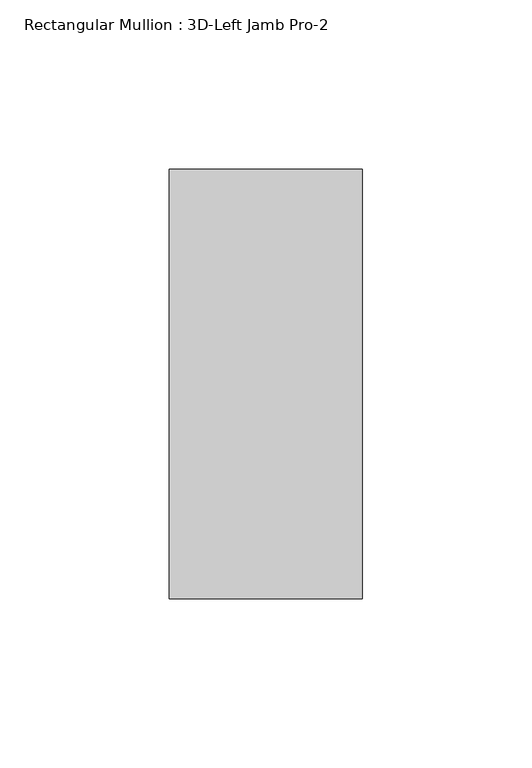
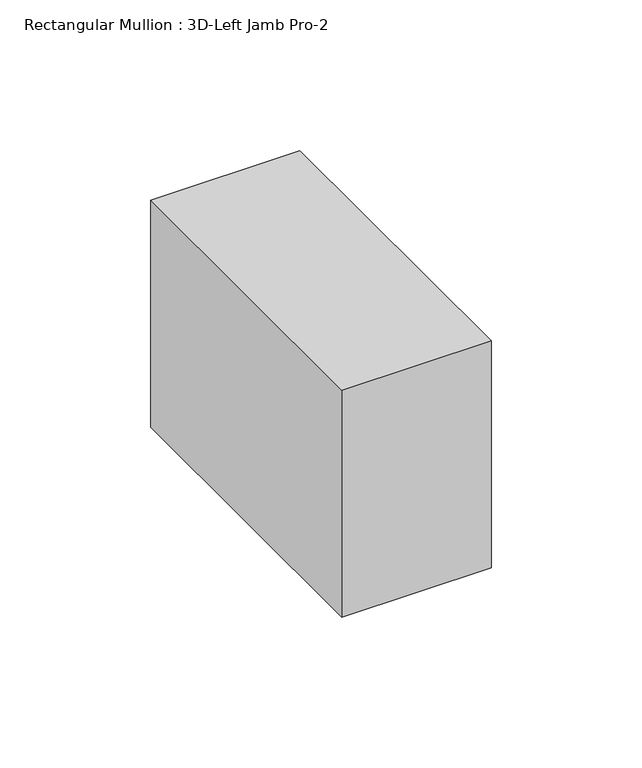
"""IFC4 building model written with IfcOpenShell, lengths in millimetres: member geometry, Rectangular Mullion : 3D-Left Jamb Pro-2."""

import ifcopenshell
import ifcopenshell.guid

model = None  # the IFC model being written
_history = None  # IfcOwnerHistory: only IFC2X3 demands one
_inside = {}  # id of a spatial element -> (the spatial element, [elements in it])
_under = {}  # id of a project, library or spatial element -> (it, [spatial elements below it])
_declared = {}  # id of a project -> (the project, [libraries it declares])
_typed = {}  # id of a type object -> (the type object, [elements of that type])
_made_of = {}  # id of a material, layer set ... -> (it, [elements and type objects made of it])


def new_model(schema):
    """Start an empty IFC model of exactly this schema.

    Asked for "IFC4X3", IfcOpenShell would pick the latest addendum, in which some entities
    have other attributes; the version numbers below select the first issue.
    IFC2X3 requires an IfcOwnerHistory on every rooted entity: one is made here for all.
    """
    global model, _history
    if schema == "IFC4X3":
        model = ifcopenshell.file(schema_version=(4, 3, 0, 0))
    else:
        model = ifcopenshell.file(schema=schema)
    _inside.clear()
    _under.clear()
    _declared.clear()
    _typed.clear()
    _made_of.clear()
    _history = None
    if model.schema == "IFC2X3":
        org = make("IfcOrganization", Name="unknown")
        user = make(
            "IfcPersonAndOrganization",
            ThePerson=make("IfcPerson", FamilyName="unknown"),
            TheOrganization=org,
        )
        app = make(
            "IfcApplication",
            ApplicationDeveloper=org,
            Version="unknown",
            ApplicationFullName="unknown",
            ApplicationIdentifier="unknown",
        )
        _history = make(
            "IfcOwnerHistory",
            OwningUser=user,
            OwningApplication=app,
            ChangeAction="ADDED",
            CreationDate=0,
        )
    return model


def make(cls, **values):
    """One entity of the class cls with the attributes given. An attribute that is None is left unset."""
    return model.create_entity(
        cls, **{name: value for name, value in values.items() if value is not None}
    )


def rooted(cls, **values):
    """An entity with a GlobalId (a new one), such as an element, a storey or a relation."""
    return make(cls, GlobalId=ifcopenshell.guid.new(), OwnerHistory=_history, **values)


def si_unit(unit_type, name, prefix=None):
    """IfcSIUnit, for example si_unit("LENGTHUNIT", "METRE", prefix="MILLI")."""
    return make("IfcSIUnit", UnitType=unit_type, Prefix=prefix, Name=name)


def assignment(units):
    """IfcUnitAssignment: the units of a project."""
    return None if units is None else make("IfcUnitAssignment", Units=units)


def point(xyz):
    """IfcCartesianPoint."""
    return None if xyz is None else make("IfcCartesianPoint", Coordinates=xyz)


def direction(xyz):
    """IfcDirection."""
    return None if xyz is None else make("IfcDirection", DirectionRatios=xyz)


def frame(location, z_axis=None, x_axis=None):
    """IfcAxis2Placement3D, a coordinate frame: its origin and axes. An axis left out is left unset."""
    return make(
        "IfcAxis2Placement3D",
        Location=point(location),
        Axis=direction(z_axis),
        RefDirection=direction(x_axis),
    )


def origin():
    """The frame at (0, 0, 0) with its axes left unset."""
    return frame((0.0, 0.0, 0.0))


def place(relative_to, where):
    """IfcLocalPlacement: puts the frame where relative to a parent placement (None: the world)."""
    return make(
        "IfcLocalPlacement", PlacementRelTo=relative_to, RelativePlacement=where
    )


def context(
    kind, dimensions, precision=None, world=None, true_north=None, identifier=None
):
    """IfcGeometricRepresentationContext, for example the 3D "Model" context."""
    return make(
        "IfcGeometricRepresentationContext",
        ContextIdentifier=identifier,
        ContextType=kind,
        CoordinateSpaceDimension=dimensions,
        Precision=precision,
        WorldCoordinateSystem=world,
        TrueNorth=true_north,
    )


def project(units=None, contexts=None):
    """IfcProject with its units and contexts."""
    return rooted(
        "IfcProject",
        Name="project",
        RepresentationContexts=contexts,
        UnitsInContext=assignment(units),
    )


def spatial(cls, under=None, at=None, **own):
    """A site, building, storey or space (cls), placed at a placement, below another one or the project."""
    s = rooted(cls, ObjectPlacement=at, **own)
    if under is not None:
        _under.setdefault(under.id(), (under, []))[1].append(s)
    return s


def polyline(points):
    """IfcPolyline through the points."""
    return make("IfcPolyline", Points=[point(p) for p in points])


def outline(outer, holes=None, kind="AREA"):
    """IfcArbitraryClosedProfileDef: a profile drawn as a closed curve; with holes, ...WithVoids."""
    if holes is None:
        return make("IfcArbitraryClosedProfileDef", ProfileType=kind, OuterCurve=outer)
    return make(
        "IfcArbitraryProfileDefWithVoids",
        ProfileType=kind,
        OuterCurve=outer,
        InnerCurves=holes,
    )


def extrude(swept, where, along, depth):
    """IfcExtrudedAreaSolid: the profile swept, set in the frame where, extruded along a direction by depth."""
    return make(
        "IfcExtrudedAreaSolid",
        SweptArea=swept,
        Position=where,
        ExtrudedDirection=direction(along),
        Depth=depth,
    )


def shape(context_of_items, identifier, shape_type, items):
    """IfcShapeRepresentation: the items that make up one representation, for example the "Body"."""
    return make(
        "IfcShapeRepresentation",
        ContextOfItems=context_of_items,
        RepresentationIdentifier=identifier,
        RepresentationType=shape_type,
        Items=items,
    )


def source(mapping_origin, context_of_items, identifier, shape_type, items):
    """IfcRepresentationMap: a shape defined once, which mapped items show again and again."""
    return make(
        "IfcRepresentationMap",
        MappingOrigin=mapping_origin,
        MappedRepresentation=shape(context_of_items, identifier, shape_type, items),
    )


def transform(
    local_origin,
    x_axis=None,
    y_axis=None,
    z_axis=None,
    scale=None,
    scale2=None,
    scale3=None,
    uniform=True,
):
    """IfcCartesianTransformationOperator3D, or its non-uniform kind. x_axis, y_axis, z_axis: its Axis1, 2, 3."""
    if uniform:
        return make(
            "IfcCartesianTransformationOperator3D",
            Axis1=direction(x_axis),
            Axis2=direction(y_axis),
            LocalOrigin=point(local_origin),
            Scale=scale,
            Axis3=direction(z_axis),
        )
    return make(
        "IfcCartesianTransformationOperator3DnonUniform",
        Axis1=direction(x_axis),
        Axis2=direction(y_axis),
        LocalOrigin=point(local_origin),
        Scale=scale,
        Axis3=direction(z_axis),
        Scale2=scale2,
        Scale3=scale3,
    )


def mapped(mapping_source, mapping_target):
    """IfcMappedItem: shows the shape of a source again, moved by a transform."""
    return make(
        "IfcMappedItem", MappingSource=mapping_source, MappingTarget=mapping_target
    )


def made_of(thing, what):
    """Note that an element or type object is made of a material, layer set ...; save() writes the relation."""
    if what is not None:
        _made_of.setdefault(what.id(), (what, []))[1].append(thing)
    return thing


def element(
    cls,
    number,
    at=None,
    inside=None,
    cuts=None,
    type_object=None,
    material=None,
    context=None,
    identifier="Body",
    shape_type=None,
    held_by="IfcProductDefinitionShape",
    body=None,
    shapes=None,
    **own,
):
    """One element of the class cls, such as IfcWall. Its Tag is "e" and its number.

    at: its placement. inside: the storey or other place that contains it. cuts: it is an
    opening in that element (IfcRelVoidsElement). A single representation is given by context,
    identifier, shape_type and body (its items); several are given by shapes. held_by: the class
    of the entity that holds the representations. save() writes the other relations.
    """
    e = rooted(cls, Tag="e%d" % number, ObjectPlacement=at, **own)
    if body is not None:
        shapes = [shape(context, identifier, shape_type, body)]
    if shapes is not None:
        e.Representation = make(held_by, Representations=shapes)
    if inside is not None:
        _inside.setdefault(inside.id(), (inside, []))[1].append(e)
    if cuts is not None:
        rooted(
            "IfcRelVoidsElement", RelatingBuildingElement=cuts, RelatedOpeningElement=e
        )
    if type_object is not None:
        _typed.setdefault(type_object.id(), (type_object, []))[1].append(e)
    return made_of(e, material)


def aggregate(whole, parts):
    """IfcRelAggregates: a whole, such as a stair, and the parts it consists of."""
    return rooted("IfcRelAggregates", RelatingObject=whole, RelatedObjects=parts)


def save(model, path):
    """Write the relations noted so far, then the file.

    IfcRelAggregates (storeys below a building ...), IfcRelContainedInSpatialStructure (elements
    in a storey), IfcRelDefinesByType, IfcRelAssociatesMaterial and IfcRelDeclares: one each for
    every whole, place, type object, material and project.
    """
    for whole, parts in _under.values():
        aggregate(whole, parts)
    for where, things in _inside.values():
        rooted(
            "IfcRelContainedInSpatialStructure",
            RelatedElements=things,
            RelatingStructure=where,
        )
    for kind, things in _typed.values():
        rooted("IfcRelDefinesByType", RelatedObjects=things, RelatingType=kind)
    for what, things in _made_of.values():
        rooted("IfcRelAssociatesMaterial", RelatedObjects=things, RelatingMaterial=what)
    for by, libraries in _declared.values():
        rooted("IfcRelDeclares", RelatingContext=by, RelatedDefinitions=libraries)
    model.write(path)


def rectangular_mullion_3d_left_jamb_pro_2_6ada1d0b(model_context):
    return source(origin(), model_context, "Body", "SweptSolid", [
        extrude(outline(polyline([(-57.15, 52.3875), (0.0, 52.3875), (0.0, 10.276747), (0.0, -74.6125), (-57.15, -74.6125), (-57.15, 52.3875)])), frame((0.0, 0.0, -92.075), z_axis=(0.0, 0.0, 1.0), x_axis=(1.0, 0.0, 0.0)), (0.0, 0.0, 1.0), 92.075),
    ])


if __name__ == "__main__":
    model = new_model("IFC4")
    model_context = context("Model", 3, world=origin())
    ifc_project = project(units=[si_unit("LENGTHUNIT", "METRE", prefix="MILLI")], contexts=[model_context])
    site = spatial("IfcSite", under=ifc_project)
    building = spatial("IfcBuilding", under=site)
    placement = place(None, origin())
    rectangular_mullion_3d_left_jamb_pro_2_shape = rectangular_mullion_3d_left_jamb_pro_2_6ada1d0b(model_context)
    element("IfcMember", 1, ObjectType="Rectangular Mullion : 3D-Left Jamb Pro-2", at=placement, inside=building, context=model_context, shape_type="MappedRepresentation", body=[
        mapped(rectangular_mullion_3d_left_jamb_pro_2_shape, transform((0.0, 0.0, 0.0), x_axis=(1.0, 0.0, 0.0), y_axis=(0.0, 1.0, 0.0), z_axis=(0.0, 0.0, 1.0))),
    ])
    save(model, "model.ifc")
